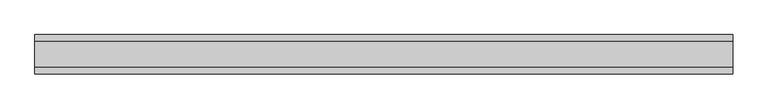
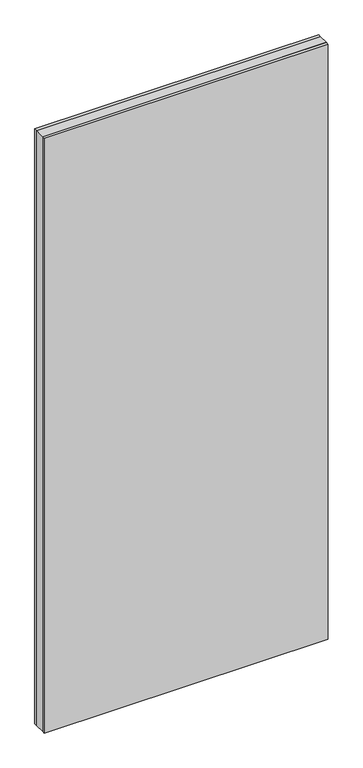
"""IFC4 building model written with IfcOpenShell, lengths in millimetres: plate geometry."""

from ifc_helpers import new_model, si_unit, origin, origin_with_axes, place, context, project, spatial, polyline, outline, extrude, source, transform, mapped, element, save


def plate_9d175a88(model_context):
    return source(origin(), model_context, "Body", "SweptSolid", [
        extrude(outline(polyline([(663.0416668, 24.2), (663.0416668, -24.2), (-663.0416668, -24.2), (-663.0416668, 24.2), (663.0416668, 24.2)])), origin_with_axes(), (0.0, 0.0, 1.0), 2936.0),
        extrude(outline(polyline([(663.0416668, 37.2), (663.0416668, 24.2), (-663.0416668, 24.2), (-663.0416668, 37.2), (663.0416668, 37.2)])), origin_with_axes(), (0.0, 0.0, 1.0), 2936.0),
        extrude(outline(polyline([(-663.0416668, -37.2), (-663.0416668, -24.2), (663.0416668, -24.2), (663.0416668, -37.2), (-663.0416668, -37.2)])), origin_with_axes(), (0.0, 0.0, 1.0), 2936.0),
    ])


if __name__ == "__main__":
    model = new_model("IFC4")
    model_context = context("Model", 3, world=origin())
    ifc_project = project(units=[si_unit("LENGTHUNIT", "METRE", prefix="MILLI")], contexts=[model_context])
    site = spatial("IfcSite", under=ifc_project)
    building = spatial("IfcBuilding", under=site)
    placement = place(None, origin())
    plate_shape = plate_9d175a88(model_context)
    element("IfcPlate", 1, at=placement, inside=building, context=model_context, shape_type="MappedRepresentation", body=[
        mapped(plate_shape, transform((0.0, 0.0, 0.0), x_axis=(1.0, 0.0, 0.0), y_axis=(0.0, 1.0, 0.0), z_axis=(0.0, 0.0, 1.0))),
    ])
    save(model, "model.ifc")
